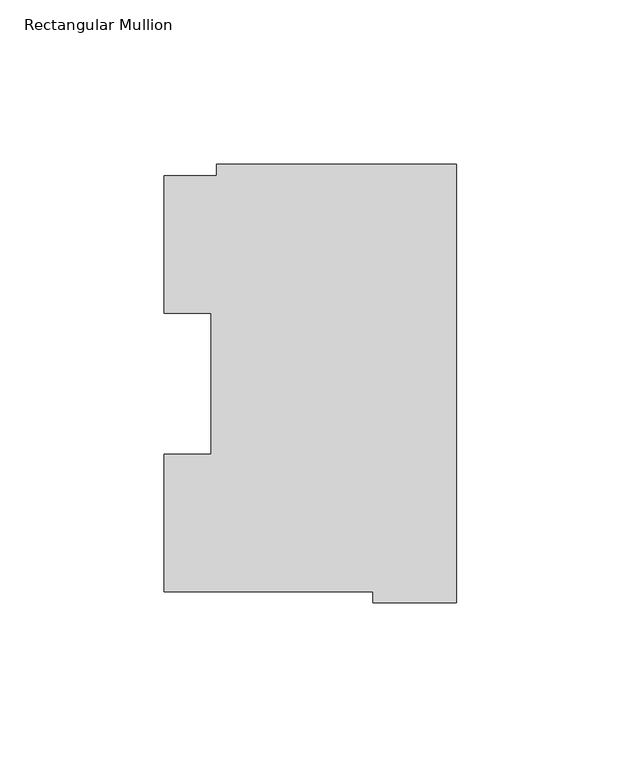
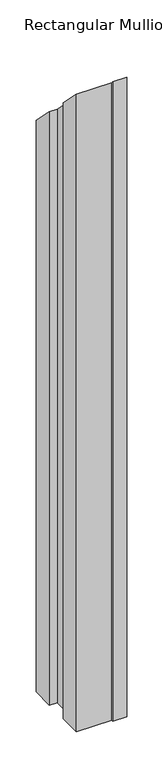
"""IFC4 building model written with IfcOpenShell, lengths in millimetres: member geometry, Rectangular Mullion."""

from ifc_helpers import new_model, si_unit, origin, place, context, project, spatial, faceted_brep, source, transform, mapped, element, save


def rectangular_mullion_1bff103e(model_context):
    return source(origin(), model_context, "Body", "Brep", [
        faceted_brep([(-88.8772701, 126.75235, -1219.2), (-73.025, 126.75235, -1219.2), (-73.025, 130.1706837, -1219.2), (0.0, 130.1706837, -1219.2), (0.0, -3.193538, -1219.2), (-25.3772701, -3.193538, -1219.2), (-25.3772701, 0.26035, -1219.2), (-88.8772701, 0.26035, -1219.2), (-88.8772701, 42.0334858, -1219.2), (-74.5947228, 42.0334858, -1219.2), (-74.5947228, 84.93125, -1219.2), (-88.8772701, 84.93125, -1219.2), (-88.8772701, 84.93125, -84.93125), (-88.8772701, 126.75235, -126.75235), (-74.5947228, 84.93125, -84.93125), (-74.5947228, 42.0334858, -42.0334858), (-88.8772701, 42.0334858, -42.0334858), (-88.8772701, 0.26035, -0.26035), (-25.3772701, 0.26035, -0.26035), (-25.3772701, -3.193538, 3.193538), (0.0, -3.193538, 3.193538), (0.0, 130.1706837, -130.1706837), (-73.025, 130.1706837, -130.1706837), (-73.025, 126.75235, -126.75235)], [[[0, 1, 2, 3, 4, 5, 6, 7, 8, 9, 10, 11]], [[12, 13, 0, 11]], [[14, 12, 11, 10]], [[15, 14, 10, 9]], [[16, 15, 9, 8]], [[17, 16, 8, 7]], [[18, 17, 7, 6]], [[19, 18, 6, 5]], [[20, 19, 5, 4]], [[21, 20, 4, 3]], [[22, 21, 3, 2]], [[23, 22, 2, 1]], [[13, 23, 1, 0]], [[13, 12, 14, 15, 16, 17, 18, 19, 20, 21, 22, 23]]]),
    ])


if __name__ == "__main__":
    model = new_model("IFC4")
    model_context = context("Model", 3, world=origin())
    ifc_project = project(units=[si_unit("LENGTHUNIT", "METRE", prefix="MILLI")], contexts=[model_context])
    site = spatial("IfcSite", under=ifc_project)
    building = spatial("IfcBuilding", under=site)
    placement = place(None, origin())
    rectangular_mullion_shape = rectangular_mullion_1bff103e(model_context)
    element("IfcMember", 1, ObjectType="Rectangular Mullion", at=placement, inside=building, context=model_context, shape_type="MappedRepresentation", body=[
        mapped(rectangular_mullion_shape, transform((0.0, 0.0, 0.0), x_axis=(1.0, 0.0, 0.0), y_axis=(0.0, 1.0, 0.0), z_axis=(0.0, 0.0, 1.0))),
    ])
    save(model, "model.ifc")
